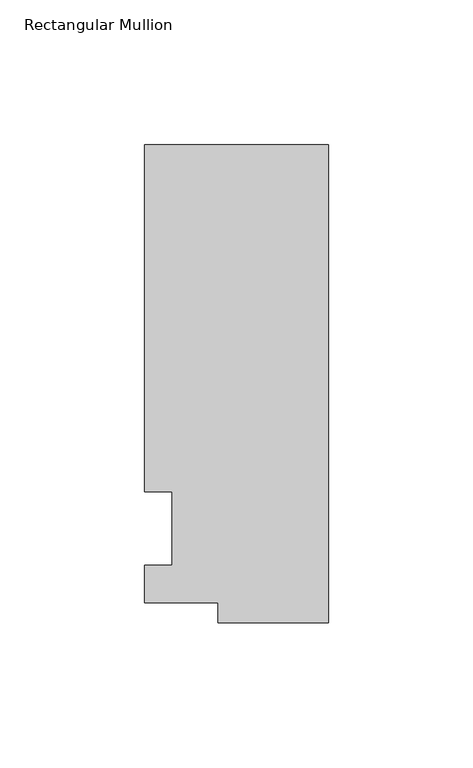
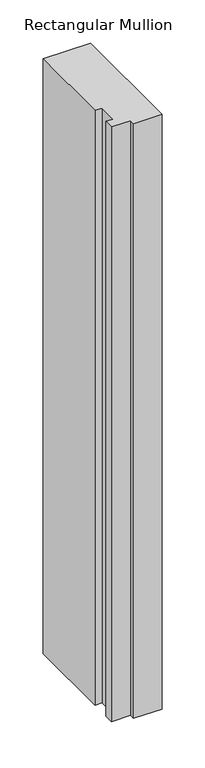
"""IFC4 building model written with IfcOpenShell, lengths in millimetres: member geometry, Rectangular Mullion."""

from ifc_helpers import new_model, si_unit, frame, origin, place, context, project, spatial, polyline, outline, extrude, source, transform, mapped, element, save


def rectangular_mullion_bde2d259(model_context):
    return source(origin(), model_context, "Body", "SweptSolid", [
        extrude(outline(polyline([(-38.1, -32.54375), (-38.1, -25.58415), (-63.5, -25.58415), (-63.5, -12.7), (-53.975, -12.7), (-53.975, 12.7), (-63.5, 12.7), (-63.5, 132.55625), (0.0, 132.55625), (0.0, -32.54375), (-38.1, -32.54375)])), frame((0.0, 0.0, -839.7815839), z_axis=(0.0, 0.0, 1.0), x_axis=(1.0, 0.0, 0.0)), (0.0, 0.0, 1.0), 839.7815839),
    ])


if __name__ == "__main__":
    model = new_model("IFC4")
    model_context = context("Model", 3, world=origin())
    ifc_project = project(units=[si_unit("LENGTHUNIT", "METRE", prefix="MILLI")], contexts=[model_context])
    site = spatial("IfcSite", under=ifc_project)
    building = spatial("IfcBuilding", under=site)
    placement = place(None, origin())
    rectangular_mullion_shape = rectangular_mullion_bde2d259(model_context)
    element("IfcMember", 1, ObjectType="Rectangular Mullion", at=placement, inside=building, context=model_context, shape_type="MappedRepresentation", body=[
        mapped(rectangular_mullion_shape, transform((0.0, 0.0, 0.0), x_axis=(1.0, 0.0, 0.0), y_axis=(0.0, 1.0, 0.0), z_axis=(0.0, 0.0, 1.0))),
    ])
    save(model, "model.ifc")
